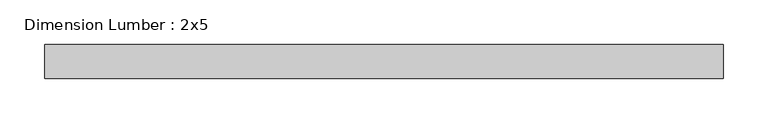
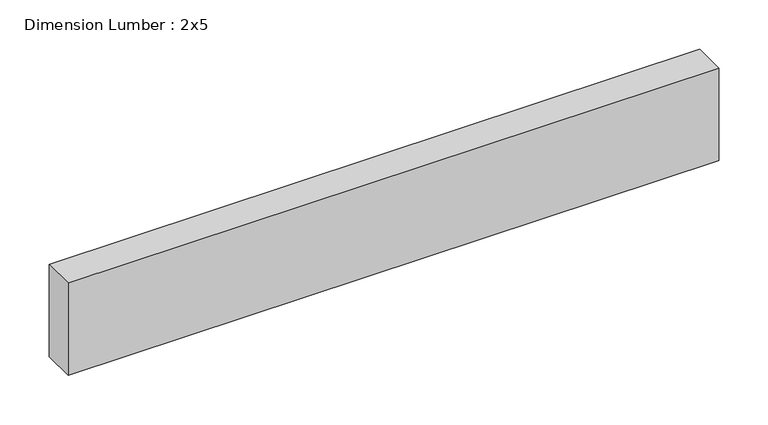
"""IFC4 building model written with IfcOpenShell, lengths in millimetres: beam geometry, Dimension Lumber : 2x5."""

from ifc_helpers import new_model, si_unit, frame, origin, place, context, project, spatial, polyline, outline, extrude, source, transform, mapped, element, save


def dimension_lumber_2x5_95b114f1(model_context):
    return source(origin(), model_context, "Body", "SweptSolid", [
        extrude(outline(polyline([(380.3278204, 19.05), (380.3278204, -19.05), (-380.3278204, -19.05), (-380.3278204, 19.05), (380.3278204, 19.05)])), frame((0.0, 0.0, -57.15), z_axis=(0.0, 0.0, 1.0), x_axis=(1.0, 0.0, 0.0)), (0.0, 0.0, 1.0), 114.3),
    ])


if __name__ == "__main__":
    model = new_model("IFC4")
    model_context = context("Model", 3, world=origin())
    ifc_project = project(units=[si_unit("LENGTHUNIT", "METRE", prefix="MILLI")], contexts=[model_context])
    site = spatial("IfcSite", under=ifc_project)
    building = spatial("IfcBuilding", under=site)
    placement = place(None, origin())
    dimension_lumber_2x5_shape = dimension_lumber_2x5_95b114f1(model_context)
    element("IfcBeam", 1, ObjectType="Dimension Lumber : 2x5", at=placement, inside=building, context=model_context, shape_type="MappedRepresentation", body=[
        mapped(dimension_lumber_2x5_shape, transform((0.0, 0.0, 0.0), x_axis=(1.0, 0.0, 0.0), y_axis=(0.0, 1.0, 0.0), z_axis=(0.0, 0.0, 1.0))),
    ])
    save(model, "model.ifc")
